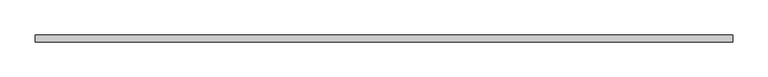
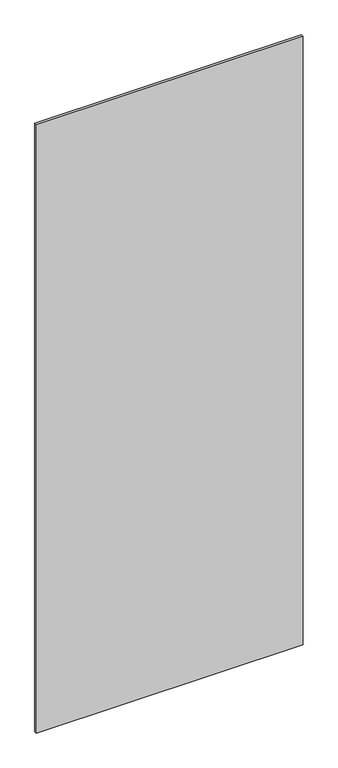
"""IFC4 building model written with IfcOpenShell, lengths in millimetres: plate geometry."""

from ifc_helpers import new_model, si_unit, origin, origin_with_axes, place, context, project, spatial, polyline, outline, extrude, source, transform, mapped, element, save


def plate_eeac7850(model_context):
    return source(origin(), model_context, "Body", "SweptSolid", [
        extrude(outline(polyline([(498.2500001, -5.0), (-498.2500001, -5.0), (-498.2500001, 5.0), (498.2500001, 5.0), (498.2500001, -5.0)])), origin_with_axes(), (0.0, 0.0, 1.0), 2401.0),
    ])


if __name__ == "__main__":
    model = new_model("IFC4")
    model_context = context("Model", 3, world=origin())
    ifc_project = project(units=[si_unit("LENGTHUNIT", "METRE", prefix="MILLI")], contexts=[model_context])
    site = spatial("IfcSite", under=ifc_project)
    building = spatial("IfcBuilding", under=site)
    placement = place(None, origin())
    plate_shape = plate_eeac7850(model_context)
    element("IfcPlate", 1, at=placement, inside=building, context=model_context, shape_type="MappedRepresentation", body=[
        mapped(plate_shape, transform((0.0, 0.0, 0.0), x_axis=(1.0, 0.0, 0.0), y_axis=(0.0, 1.0, 0.0), z_axis=(0.0, 0.0, 1.0))),
    ])
    save(model, "model.ifc")
